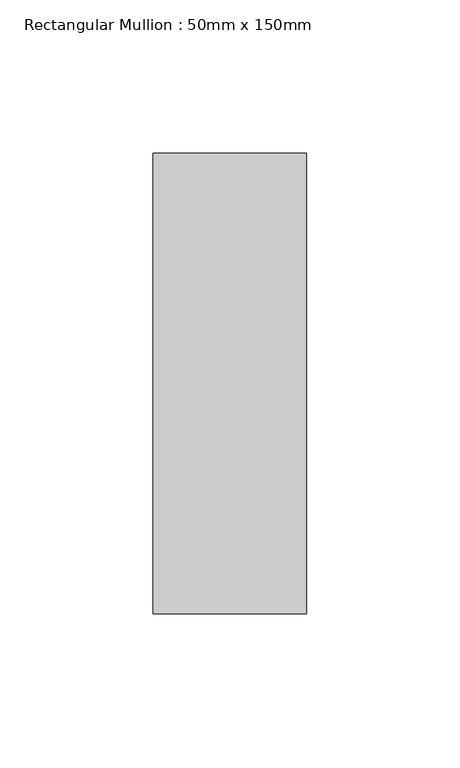
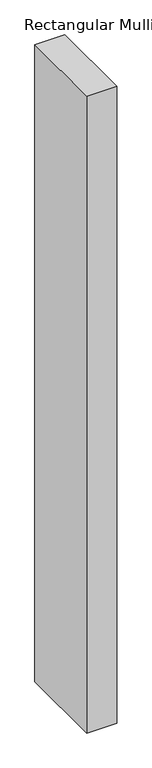
"""IFC4 building model written with IfcOpenShell, lengths in millimetres: member geometry, Rectangular Mullion : 50mm x 150mm."""

import ifcopenshell
import ifcopenshell.guid

model = None  # the IFC model being written
_history = None  # IfcOwnerHistory: only IFC2X3 demands one
_inside = {}  # id of a spatial element -> (the spatial element, [elements in it])
_under = {}  # id of a project, library or spatial element -> (it, [spatial elements below it])
_declared = {}  # id of a project -> (the project, [libraries it declares])
_typed = {}  # id of a type object -> (the type object, [elements of that type])
_made_of = {}  # id of a material, layer set ... -> (it, [elements and type objects made of it])


def new_model(schema):
    """Start an empty IFC model of exactly this schema.

    Asked for "IFC4X3", IfcOpenShell would pick the latest addendum, in which some entities
    have other attributes; the version numbers below select the first issue.
    IFC2X3 requires an IfcOwnerHistory on every rooted entity: one is made here for all.
    """
    global model, _history
    if schema == "IFC4X3":
        model = ifcopenshell.file(schema_version=(4, 3, 0, 0))
    else:
        model = ifcopenshell.file(schema=schema)
    _inside.clear()
    _under.clear()
    _declared.clear()
    _typed.clear()
    _made_of.clear()
    _history = None
    if model.schema == "IFC2X3":
        org = make("IfcOrganization", Name="unknown")
        user = make(
            "IfcPersonAndOrganization",
            ThePerson=make("IfcPerson", FamilyName="unknown"),
            TheOrganization=org,
        )
        app = make(
            "IfcApplication",
            ApplicationDeveloper=org,
            Version="unknown",
            ApplicationFullName="unknown",
            ApplicationIdentifier="unknown",
        )
        _history = make(
            "IfcOwnerHistory",
            OwningUser=user,
            OwningApplication=app,
            ChangeAction="ADDED",
            CreationDate=0,
        )
    return model


def make(cls, **values):
    """One entity of the class cls with the attributes given. An attribute that is None is left unset."""
    return model.create_entity(
        cls, **{name: value for name, value in values.items() if value is not None}
    )


def rooted(cls, **values):
    """An entity with a GlobalId (a new one), such as an element, a storey or a relation."""
    return make(cls, GlobalId=ifcopenshell.guid.new(), OwnerHistory=_history, **values)


def si_unit(unit_type, name, prefix=None):
    """IfcSIUnit, for example si_unit("LENGTHUNIT", "METRE", prefix="MILLI")."""
    return make("IfcSIUnit", UnitType=unit_type, Prefix=prefix, Name=name)


def assignment(units):
    """IfcUnitAssignment: the units of a project."""
    return None if units is None else make("IfcUnitAssignment", Units=units)


def point(xyz):
    """IfcCartesianPoint."""
    return None if xyz is None else make("IfcCartesianPoint", Coordinates=xyz)


def direction(xyz):
    """IfcDirection."""
    return None if xyz is None else make("IfcDirection", DirectionRatios=xyz)


def frame(location, z_axis=None, x_axis=None):
    """IfcAxis2Placement3D, a coordinate frame: its origin and axes. An axis left out is left unset."""
    return make(
        "IfcAxis2Placement3D",
        Location=point(location),
        Axis=direction(z_axis),
        RefDirection=direction(x_axis),
    )


def origin():
    """The frame at (0, 0, 0) with its axes left unset."""
    return frame((0.0, 0.0, 0.0))


def place(relative_to, where):
    """IfcLocalPlacement: puts the frame where relative to a parent placement (None: the world)."""
    return make(
        "IfcLocalPlacement", PlacementRelTo=relative_to, RelativePlacement=where
    )


def context(
    kind, dimensions, precision=None, world=None, true_north=None, identifier=None
):
    """IfcGeometricRepresentationContext, for example the 3D "Model" context."""
    return make(
        "IfcGeometricRepresentationContext",
        ContextIdentifier=identifier,
        ContextType=kind,
        CoordinateSpaceDimension=dimensions,
        Precision=precision,
        WorldCoordinateSystem=world,
        TrueNorth=true_north,
    )


def project(units=None, contexts=None):
    """IfcProject with its units and contexts."""
    return rooted(
        "IfcProject",
        Name="project",
        RepresentationContexts=contexts,
        UnitsInContext=assignment(units),
    )


def spatial(cls, under=None, at=None, **own):
    """A site, building, storey or space (cls), placed at a placement, below another one or the project."""
    s = rooted(cls, ObjectPlacement=at, **own)
    if under is not None:
        _under.setdefault(under.id(), (under, []))[1].append(s)
    return s


def polyline(points):
    """IfcPolyline through the points."""
    return make("IfcPolyline", Points=[point(p) for p in points])


def outline(outer, holes=None, kind="AREA"):
    """IfcArbitraryClosedProfileDef: a profile drawn as a closed curve; with holes, ...WithVoids."""
    if holes is None:
        return make("IfcArbitraryClosedProfileDef", ProfileType=kind, OuterCurve=outer)
    return make(
        "IfcArbitraryProfileDefWithVoids",
        ProfileType=kind,
        OuterCurve=outer,
        InnerCurves=holes,
    )


def extrude(swept, where, along, depth):
    """IfcExtrudedAreaSolid: the profile swept, set in the frame where, extruded along a direction by depth."""
    return make(
        "IfcExtrudedAreaSolid",
        SweptArea=swept,
        Position=where,
        ExtrudedDirection=direction(along),
        Depth=depth,
    )


def shape(context_of_items, identifier, shape_type, items):
    """IfcShapeRepresentation: the items that make up one representation, for example the "Body"."""
    return make(
        "IfcShapeRepresentation",
        ContextOfItems=context_of_items,
        RepresentationIdentifier=identifier,
        RepresentationType=shape_type,
        Items=items,
    )


def source(mapping_origin, context_of_items, identifier, shape_type, items):
    """IfcRepresentationMap: a shape defined once, which mapped items show again and again."""
    return make(
        "IfcRepresentationMap",
        MappingOrigin=mapping_origin,
        MappedRepresentation=shape(context_of_items, identifier, shape_type, items),
    )


def transform(
    local_origin,
    x_axis=None,
    y_axis=None,
    z_axis=None,
    scale=None,
    scale2=None,
    scale3=None,
    uniform=True,
):
    """IfcCartesianTransformationOperator3D, or its non-uniform kind. x_axis, y_axis, z_axis: its Axis1, 2, 3."""
    if uniform:
        return make(
            "IfcCartesianTransformationOperator3D",
            Axis1=direction(x_axis),
            Axis2=direction(y_axis),
            LocalOrigin=point(local_origin),
            Scale=scale,
            Axis3=direction(z_axis),
        )
    return make(
        "IfcCartesianTransformationOperator3DnonUniform",
        Axis1=direction(x_axis),
        Axis2=direction(y_axis),
        LocalOrigin=point(local_origin),
        Scale=scale,
        Axis3=direction(z_axis),
        Scale2=scale2,
        Scale3=scale3,
    )


def mapped(mapping_source, mapping_target):
    """IfcMappedItem: shows the shape of a source again, moved by a transform."""
    return make(
        "IfcMappedItem", MappingSource=mapping_source, MappingTarget=mapping_target
    )


def made_of(thing, what):
    """Note that an element or type object is made of a material, layer set ...; save() writes the relation."""
    if what is not None:
        _made_of.setdefault(what.id(), (what, []))[1].append(thing)
    return thing


def element(
    cls,
    number,
    at=None,
    inside=None,
    cuts=None,
    type_object=None,
    material=None,
    context=None,
    identifier="Body",
    shape_type=None,
    held_by="IfcProductDefinitionShape",
    body=None,
    shapes=None,
    **own,
):
    """One element of the class cls, such as IfcWall. Its Tag is "e" and its number.

    at: its placement. inside: the storey or other place that contains it. cuts: it is an
    opening in that element (IfcRelVoidsElement). A single representation is given by context,
    identifier, shape_type and body (its items); several are given by shapes. held_by: the class
    of the entity that holds the representations. save() writes the other relations.
    """
    e = rooted(cls, Tag="e%d" % number, ObjectPlacement=at, **own)
    if body is not None:
        shapes = [shape(context, identifier, shape_type, body)]
    if shapes is not None:
        e.Representation = make(held_by, Representations=shapes)
    if inside is not None:
        _inside.setdefault(inside.id(), (inside, []))[1].append(e)
    if cuts is not None:
        rooted(
            "IfcRelVoidsElement", RelatingBuildingElement=cuts, RelatedOpeningElement=e
        )
    if type_object is not None:
        _typed.setdefault(type_object.id(), (type_object, []))[1].append(e)
    return made_of(e, material)


def aggregate(whole, parts):
    """IfcRelAggregates: a whole, such as a stair, and the parts it consists of."""
    return rooted("IfcRelAggregates", RelatingObject=whole, RelatedObjects=parts)


def save(model, path):
    """Write the relations noted so far, then the file.

    IfcRelAggregates (storeys below a building ...), IfcRelContainedInSpatialStructure (elements
    in a storey), IfcRelDefinesByType, IfcRelAssociatesMaterial and IfcRelDeclares: one each for
    every whole, place, type object, material and project.
    """
    for whole, parts in _under.values():
        aggregate(whole, parts)
    for where, things in _inside.values():
        rooted(
            "IfcRelContainedInSpatialStructure",
            RelatedElements=things,
            RelatingStructure=where,
        )
    for kind, things in _typed.values():
        rooted("IfcRelDefinesByType", RelatedObjects=things, RelatingType=kind)
    for what, things in _made_of.values():
        rooted("IfcRelAssociatesMaterial", RelatedObjects=things, RelatingMaterial=what)
    for by, libraries in _declared.values():
        rooted("IfcRelDeclares", RelatingContext=by, RelatedDefinitions=libraries)
    model.write(path)


def rectangular_mullion_50mm_x_150mm_f0098caa(model_context):
    return source(origin(), model_context, "Body", "SweptSolid", [
        extrude(outline(polyline([(25.0, 75.0), (25.0, -75.0), (-25.0, -75.0), (-25.0, 75.0), (25.0, 75.0)])), frame((0.0, 0.0, -1125.0), z_axis=(0.0, 0.0, 1.0), x_axis=(1.0, 0.0, 0.0)), (0.0, 0.0, 1.0), 1125.0),
    ])


if __name__ == "__main__":
    model = new_model("IFC4")
    model_context = context("Model", 3, world=origin())
    ifc_project = project(units=[si_unit("LENGTHUNIT", "METRE", prefix="MILLI")], contexts=[model_context])
    site = spatial("IfcSite", under=ifc_project)
    building = spatial("IfcBuilding", under=site)
    placement = place(None, origin())
    rectangular_mullion_50mm_x_150mm_shape = rectangular_mullion_50mm_x_150mm_f0098caa(model_context)
    element("IfcMember", 1, ObjectType="Rectangular Mullion : 50mm x 150mm", at=placement, inside=building, context=model_context, shape_type="MappedRepresentation", body=[
        mapped(rectangular_mullion_50mm_x_150mm_shape, transform((0.0, 0.0, 0.0), x_axis=(1.0, 0.0, 0.0), y_axis=(0.0, 1.0, 0.0), z_axis=(0.0, 0.0, 1.0))),
    ])
    save(model, "model.ifc")
